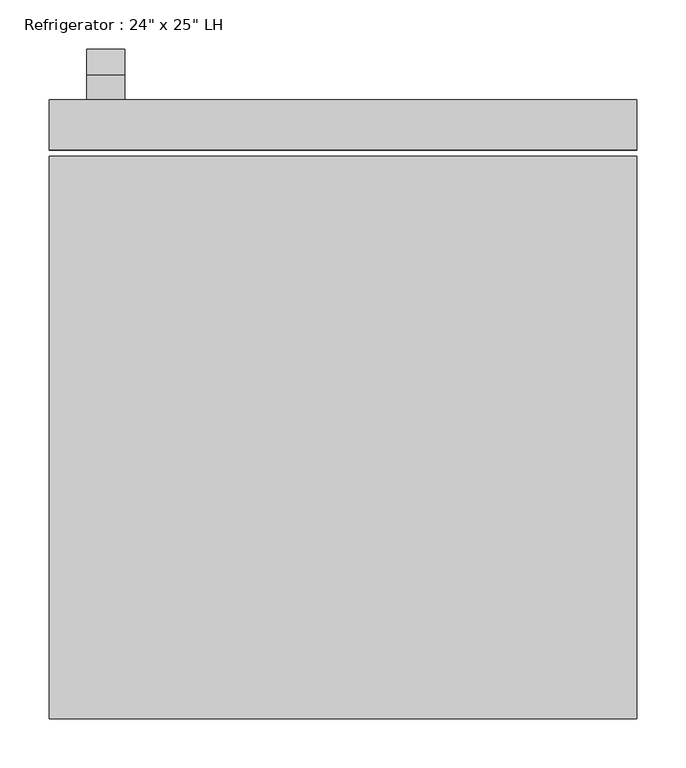
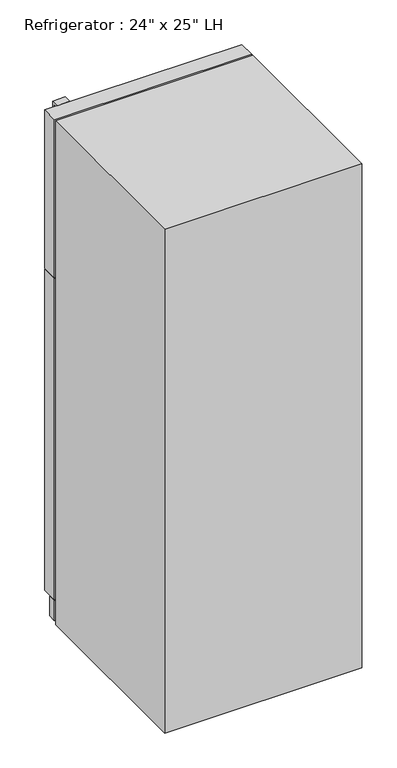
"""IFC4 building model written with IfcOpenShell, lengths in millimetres: proxy geometry."""

from ifc_helpers import new_model, si_unit, frame, origin, origin_with_axes, place, context, project, spatial, polyline, outline, extrude, source, transform, mapped, element, save


def proxy_ec3341c2(model_context):
    return source(origin(), model_context, "Body", "SweptSolid", [
        extrude(outline(polyline([(329.0010285, 1096.9625), (329.0010285, 1103.3125), (379.8010285, 1103.3125), (379.8010285, 900.1125), (351.8949512, 501.0370017), (329.0010285, 501.0370017), (329.0010285, 507.3715334), (345.9723987, 507.3715334), (373.4510285, 900.3342469), (373.4510285, 1096.9625), (329.0010285, 1096.9625)])), frame((-260.35, 0.0, 0.0), z_axis=(1.0, 0.0, 0.0), x_axis=(0.0, 1.0, 0.0)), (0.0, 0.0, 1.0), 38.4332978),
        extrude(outline(polyline([(353.839413, 1612.9), (380.3793675, 1106.4875), (329.7780855, 1106.4875), (329.7780855, 1112.8375), (374.5007207, 1112.8375), (348.6263449, 1606.55), (329.7780855, 1606.55), (329.7780855, 1612.9), (353.839413, 1612.9)])), frame((-260.35, 0.0, 0.0), z_axis=(1.0, 0.0, 0.0), x_axis=(0.0, 1.0, 0.0)), (0.0, 0.0, 1.0), 38.4332978),
        extrude(outline(polyline([(298.45, 278.2010285), (-298.45, 278.2010285), (-298.45, 303.6010285), (298.45, 303.6010285), (298.45, 278.2010285)])), frame((0.0, 0.0, 9.3816357), z_axis=(0.0, 0.0, 1.0), x_axis=(1.0, 0.0, 0.0)), (0.0, 0.0, 1.0), 63.5),
        extrude(outline(polyline([(298.45, 278.2010285), (-298.45, 278.2010285), (-298.45, 329.0010285), (298.45, 329.0010285), (298.45, 278.2010285)])), frame((0.0, 0.0, 76.2), z_axis=(0.0, 0.0, 1.0), x_axis=(1.0, 0.0, 0.0)), (0.0, 0.0, 1.0), 1027.1125),
        extrude(outline(polyline([(298.45, 278.2010285), (-298.45, 278.2010285), (-298.45, 329.0010285), (298.45, 329.0010285), (298.45, 278.2010285)])), frame((0.0, 0.0, 1106.4875), z_axis=(0.0, 0.0, 1.0), x_axis=(1.0, 0.0, 0.0)), (0.0, 0.0, 1.0), 506.4125),
        extrude(outline(polyline([(298.45, -299.6489715), (-298.45, -299.6489715), (-298.45, 271.8510285), (298.45, 271.8510285), (298.45, -299.6489715)])), origin_with_axes(), (0.0, 0.0, 1.0), 1612.9),
    ])


if __name__ == "__main__":
    model = new_model("IFC4")
    model_context = context("Model", 3, world=origin())
    ifc_project = project(units=[si_unit("LENGTHUNIT", "METRE", prefix="MILLI")], contexts=[model_context])
    site = spatial("IfcSite", under=ifc_project)
    building = spatial("IfcBuilding", under=site)
    placement = place(None, origin())
    proxy_shape = proxy_ec3341c2(model_context)
    element("IfcBuildingElementProxy", 1, Name="Refrigerator : 24\" x 25\" LH", ObjectType="Refrigerator : 24\" x 25\" LH", at=placement, inside=building, context=model_context, shape_type="MappedRepresentation", body=[
        mapped(proxy_shape, transform((0.0, 0.0, 0.0), x_axis=(1.0, 0.0, 0.0), y_axis=(0.0, 1.0, 0.0), z_axis=(0.0, 0.0, 1.0))),
    ])
    save(model, "model.ifc")
